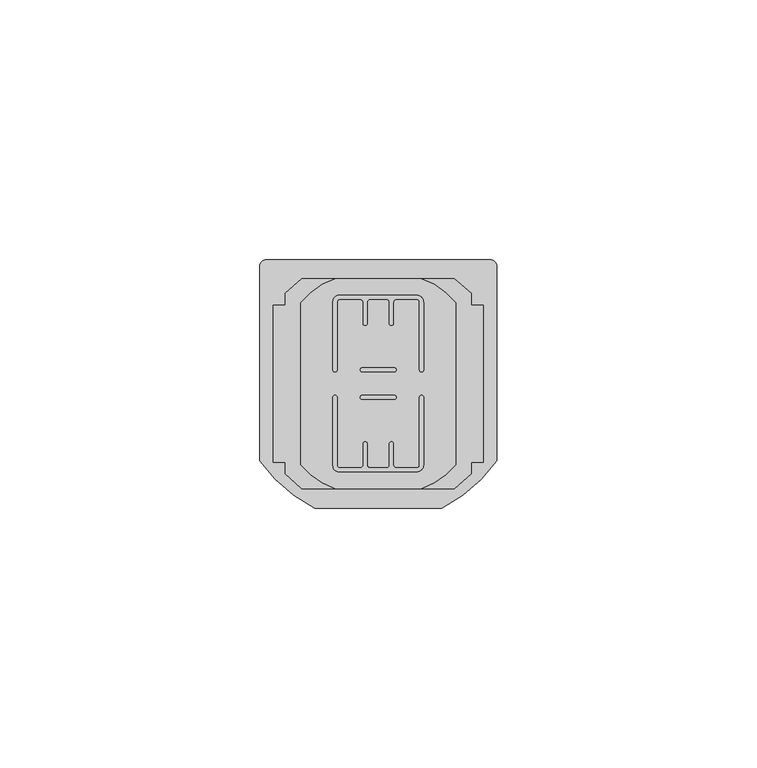
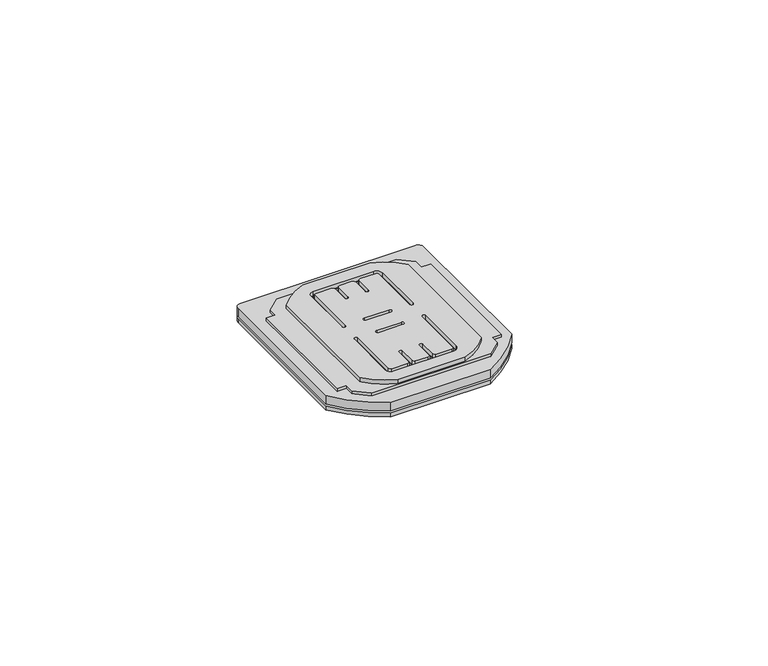
"""IFC4 building model written with IfcOpenShell, lengths in millimetres: proxy geometry."""

from ifc_helpers import new_model, si_unit, point, frame, frame_2d, origin, origin_with_axes, place, context, project, spatial, polyline, circle_curve, trimmed, segment, composite_curve, outline, extrude, source, transform, mapped, element, save


def electrical_fixtures_88a3bfcf(model_context):
    return source(origin(), model_context, "Body", "SweptSolid", [
        extrude(outline(composite_curve([segment(polyline([(0.9789013, 46.32347), (43.9976663, 46.32347)]), True, "CONTINUOUS"), segment(trimmed(circle_curve(frame_2d((43.9976663, 45.0249319)), 1.2985381), [point((43.9976663, 46.32347))], [point((45.2962044, 45.0249319))], False, "CARTESIAN"), True, "CONTINUOUS"), segment(polyline([(45.2962044, 45.0249319), (45.2962044, 7.6543811)]), True, "CONTINUOUS"), segment(trimmed(circle_curve(frame_2d((21.1903516, 24.8431667)), 29.6065278), [point((45.2962044, 7.6543811))], [point((34.7580096, -1.4715658))], False, "CARTESIAN"), True, "CONTINUOUS"), segment(polyline([(34.7580096, -1.4715658), (10.2419904, -1.4715658)]), True, "CONTINUOUS"), segment(trimmed(circle_curve(frame_2d((23.8096484, 24.8431667)), 29.6065278), [point((10.2419904, -1.4715658))], [point((-0.2962044, 7.6543811))], False, "CARTESIAN"), True, "CONTINUOUS"), segment(polyline([(-0.2962044, 7.6543811), (-0.2962044, 45.0483644)]), True, "CONTINUOUS"), segment(trimmed(circle_curve(frame_2d((0.9789013, 45.0483644)), 1.2751056), [point((-0.2962044, 45.0483644))], [point((0.9789013, 46.32347))], False, "CARTESIAN"), True, "CONTINUOUS")], self_intersect=False), holes=[composite_curve([segment(trimmed(circle_curve(frame_2d((19.4484779, 25.15)), 0.4), [point((19.4484779, 25.55))], [point((19.4484779, 24.75))], True, "CARTESIAN"), True, "CONTINUOUS"), segment(polyline([(19.4484779, 24.75), (25.5515221, 24.75)]), True, "CONTINUOUS"), segment(trimmed(circle_curve(frame_2d((25.5515221, 25.15)), 0.4), [point((25.5515221, 24.75))], [point((25.5515221, 25.55))], True, "CARTESIAN"), True, "CONTINUOUS"), segment(polyline([(25.5515221, 25.55), (19.4484779, 25.55)]), True, "CONTINUOUS")], self_intersect=False), composite_curve([segment(trimmed(circle_curve(frame_2d((14.9616115, 6.6866115)), 1.1866115), [point((13.775, 6.6866115))], [point((14.9616115, 5.5))], True, "CARTESIAN"), True, "CONTINUOUS"), segment(polyline([(14.9616115, 5.5), (29.851578, 5.5)]), True, "CONTINUOUS"), segment(trimmed(circle_curve(frame_2d((29.851578, 6.873422)), 1.373422), [point((29.851578, 5.5))], [point((31.225, 6.873422))], True, "CARTESIAN"), True, "CONTINUOUS"), segment(polyline([(31.225, 6.873422), (31.225, 19.8515221)]), True, "CONTINUOUS"), segment(trimmed(circle_curve(frame_2d((30.825, 19.8515221)), 0.4), [point((31.225, 19.8515221))], [point((30.425, 19.8515221))], True, "CARTESIAN"), True, "CONTINUOUS"), segment(polyline([(30.425, 19.8515221), (30.425, 6.8108844)]), True, "CONTINUOUS"), segment(trimmed(circle_curve(frame_2d((29.9141156, 6.8108844)), 0.5108844), [point((30.425, 6.8108844))], [point((29.9141156, 6.3))], False, "CARTESIAN"), True, "CONTINUOUS"), segment(polyline([(29.9141156, 6.3), (25.9478572, 6.3)]), True, "CONTINUOUS"), segment(trimmed(circle_curve(frame_2d((25.9478572, 6.8228572)), 0.5228572), [point((25.9478572, 6.3))], [point((25.425, 6.8228572))], False, "CARTESIAN"), True, "CONTINUOUS"), segment(polyline([(25.425, 6.8228572), (25.425, 10.9015221)]), True, "CONTINUOUS"), segment(trimmed(circle_curve(frame_2d((25.025, 10.9015221)), 0.4), [point((25.425, 10.9015221))], [point((24.625, 10.9015221))], True, "CARTESIAN"), True, "CONTINUOUS"), segment(polyline([(24.625, 10.9015221), (24.625, 6.821406)]), True, "CONTINUOUS"), segment(trimmed(circle_curve(frame_2d((24.103594, 6.821406)), 0.521406), [point((24.625, 6.821406))], [point((24.103594, 6.3))], False, "CARTESIAN"), True, "CONTINUOUS"), segment(polyline([(24.103594, 6.3), (20.9005079, 6.3)]), True, "CONTINUOUS"), segment(trimmed(circle_curve(frame_2d((20.9005079, 6.8255079)), 0.5255079), [point((20.9005079, 6.3))], [point((20.375, 6.8255079))], False, "CARTESIAN"), True, "CONTINUOUS"), segment(polyline([(20.375, 6.8255079), (20.375, 10.9015221)]), True, "CONTINUOUS"), segment(trimmed(circle_curve(frame_2d((19.975, 10.9015221)), 0.4), [point((20.375, 10.9015221))], [point((19.575, 10.9015221))], True, "CARTESIAN"), True, "CONTINUOUS"), segment(polyline([(19.575, 10.9015221), (19.575, 6.8233164)]), True, "CONTINUOUS"), segment(trimmed(circle_curve(frame_2d((19.0516836, 6.8233164)), 0.5233164), [point((19.575, 6.8233164))], [point((19.0516836, 6.3))], False, "CARTESIAN"), True, "CONTINUOUS"), segment(polyline([(19.0516836, 6.3), (15.075, 6.3)]), True, "CONTINUOUS"), segment(trimmed(circle_curve(frame_2d((15.075, 6.8)), 0.5), [point((15.075, 6.3))], [point((14.575, 6.8))], False, "CARTESIAN"), True, "CONTINUOUS"), segment(polyline([(14.575, 6.8), (14.575, 19.8515221)]), True, "CONTINUOUS"), segment(trimmed(circle_curve(frame_2d((14.175, 19.8515221)), 0.4), [point((14.575, 19.8515221))], [point((13.775, 19.8515221))], True, "CARTESIAN"), True, "CONTINUOUS"), segment(polyline([(13.775, 19.8515221), (13.775, 6.6866115)]), True, "CONTINUOUS")], self_intersect=False), composite_curve([segment(trimmed(circle_curve(frame_2d((19.4484779, 19.85)), 0.4), [point((19.4484779, 20.25))], [point((19.4484779, 19.45))], True, "CARTESIAN"), True, "CONTINUOUS"), segment(polyline([(19.4484779, 19.45), (25.5515221, 19.45)]), True, "CONTINUOUS"), segment(trimmed(circle_curve(frame_2d((25.5515221, 19.85)), 0.4), [point((25.5515221, 19.45))], [point((25.5515221, 20.25))], True, "CARTESIAN"), True, "CONTINUOUS"), segment(polyline([(25.5515221, 20.25), (19.4484779, 20.25)]), True, "CONTINUOUS")], self_intersect=False), composite_curve([segment(polyline([(13.775, 38.3133885), (13.775, 25.1484779)]), True, "CONTINUOUS"), segment(trimmed(circle_curve(frame_2d((14.175, 25.1484779)), 0.4), [point((13.775, 25.1484779))], [point((14.575, 25.1484779))], True, "CARTESIAN"), True, "CONTINUOUS"), segment(polyline([(14.575, 25.1484779), (14.575, 38.2)]), True, "CONTINUOUS"), segment(trimmed(circle_curve(frame_2d((15.075, 38.2)), 0.5), [point((14.575, 38.2))], [point((15.075, 38.7))], False, "CARTESIAN"), True, "CONTINUOUS"), segment(polyline([(15.075, 38.7), (19.0516836, 38.7)]), True, "CONTINUOUS"), segment(trimmed(circle_curve(frame_2d((19.0516836, 38.1766836)), 0.5233164), [point((19.0516836, 38.7))], [point((19.575, 38.1766836))], False, "CARTESIAN"), True, "CONTINUOUS"), segment(polyline([(19.575, 38.1766836), (19.575, 34.0984779)]), True, "CONTINUOUS"), segment(trimmed(circle_curve(frame_2d((19.975, 34.0984779)), 0.4), [point((19.575, 34.0984779))], [point((20.375, 34.0984779))], True, "CARTESIAN"), True, "CONTINUOUS"), segment(polyline([(20.375, 34.0984779), (20.375, 38.1744921)]), True, "CONTINUOUS"), segment(trimmed(circle_curve(frame_2d((20.9005079, 38.1744921)), 0.5255079), [point((20.375, 38.1744921))], [point((20.9005079, 38.7))], False, "CARTESIAN"), True, "CONTINUOUS"), segment(polyline([(20.9005079, 38.7), (24.103594, 38.7)]), True, "CONTINUOUS"), segment(trimmed(circle_curve(frame_2d((24.103594, 38.178594)), 0.521406), [point((24.103594, 38.7))], [point((24.625, 38.178594))], False, "CARTESIAN"), True, "CONTINUOUS"), segment(polyline([(24.625, 38.178594), (24.625, 34.0984779)]), True, "CONTINUOUS"), segment(trimmed(circle_curve(frame_2d((25.025, 34.0984779)), 0.4), [point((24.625, 34.0984779))], [point((25.425, 34.0984779))], True, "CARTESIAN"), True, "CONTINUOUS"), segment(polyline([(25.425, 34.0984779), (25.425, 38.1771428)]), True, "CONTINUOUS"), segment(trimmed(circle_curve(frame_2d((25.9478572, 38.1771428)), 0.5228572), [point((25.425, 38.1771428))], [point((25.9478572, 38.7))], False, "CARTESIAN"), True, "CONTINUOUS"), segment(polyline([(25.9478572, 38.7), (29.9141156, 38.7)]), True, "CONTINUOUS"), segment(trimmed(circle_curve(frame_2d((29.9141156, 38.1891156)), 0.5108844), [point((29.9141156, 38.7))], [point((30.425, 38.1891156))], False, "CARTESIAN"), True, "CONTINUOUS"), segment(polyline([(30.425, 38.1891156), (30.425, 25.1484779)]), True, "CONTINUOUS"), segment(trimmed(circle_curve(frame_2d((30.825, 25.1484779)), 0.4), [point((30.425, 25.1484779))], [point((31.225, 25.1484779))], True, "CARTESIAN"), True, "CONTINUOUS"), segment(polyline([(31.225, 25.1484779), (31.225, 38.126578)]), True, "CONTINUOUS"), segment(trimmed(circle_curve(frame_2d((29.851578, 38.126578)), 1.373422), [point((31.225, 38.126578))], [point((29.851578, 39.5))], True, "CARTESIAN"), True, "CONTINUOUS"), segment(polyline([(29.851578, 39.5), (14.9616115, 39.5)]), True, "CONTINUOUS"), segment(trimmed(circle_curve(frame_2d((14.9616115, 38.3133885)), 1.1866115), [point((14.9616115, 39.5))], [point((13.775, 38.3133885))], True, "CARTESIAN"), True, "CONTINUOUS")], self_intersect=False)]), frame((0.0, 0.0, 1.4999955), z_axis=(0.0, 0.0, 1.0), x_axis=(1.0, 0.0, 0.0)), (0.0, 0.0, 1.0), 2.2117035),
        extrude(outline(polyline([(7.817513, 42.6965395), (37.1590546, 42.6965395), (40.3765675, 39.8746223), (40.3765675, 37.6), (42.6878119, 37.6), (42.6878119, 7.4), (40.3765675, 7.4), (40.3765675, 5.1253777), (37.1590546, 2.3034605), (7.817513, 2.3034605), (4.6, 5.1253777), (4.6, 7.4), (2.3121881, 7.4), (2.3121881, 37.6), (4.6, 37.6), (4.6, 39.8746223), (7.817513, 42.6965395)]), holes=[composite_curve([segment(trimmed(circle_curve(frame_2d((19.4484779, 25.15)), 0.4), [point((19.4484779, 25.55))], [point((19.4484779, 24.75))], True, "CARTESIAN"), True, "CONTINUOUS"), segment(polyline([(19.4484779, 24.75), (25.5515221, 24.75)]), True, "CONTINUOUS"), segment(trimmed(circle_curve(frame_2d((25.5515221, 25.15)), 0.4), [point((25.5515221, 24.75))], [point((25.5515221, 25.55))], True, "CARTESIAN"), True, "CONTINUOUS"), segment(polyline([(25.5515221, 25.55), (19.4484779, 25.55)]), True, "CONTINUOUS")], self_intersect=False), composite_curve([segment(trimmed(circle_curve(frame_2d((14.9616115, 6.6866115)), 1.1866115), [point((13.775, 6.6866115))], [point((14.9616115, 5.5))], True, "CARTESIAN"), True, "CONTINUOUS"), segment(polyline([(14.9616115, 5.5), (29.851578, 5.5)]), True, "CONTINUOUS"), segment(trimmed(circle_curve(frame_2d((29.851578, 6.873422)), 1.373422), [point((29.851578, 5.5))], [point((31.225, 6.873422))], True, "CARTESIAN"), True, "CONTINUOUS"), segment(polyline([(31.225, 6.873422), (31.225, 19.8515221)]), True, "CONTINUOUS"), segment(trimmed(circle_curve(frame_2d((30.825, 19.8515221)), 0.4), [point((31.225, 19.8515221))], [point((30.425, 19.8515221))], True, "CARTESIAN"), True, "CONTINUOUS"), segment(polyline([(30.425, 19.8515221), (30.425, 6.8108844)]), True, "CONTINUOUS"), segment(trimmed(circle_curve(frame_2d((29.9141156, 6.8108844)), 0.5108844), [point((30.425, 6.8108844))], [point((29.9141156, 6.3))], False, "CARTESIAN"), True, "CONTINUOUS"), segment(polyline([(29.9141156, 6.3), (25.9478572, 6.3)]), True, "CONTINUOUS"), segment(trimmed(circle_curve(frame_2d((25.9478572, 6.8228572)), 0.5228572), [point((25.9478572, 6.3))], [point((25.425, 6.8228572))], False, "CARTESIAN"), True, "CONTINUOUS"), segment(polyline([(25.425, 6.8228572), (25.425, 10.9015221)]), True, "CONTINUOUS"), segment(trimmed(circle_curve(frame_2d((25.025, 10.9015221)), 0.4), [point((25.425, 10.9015221))], [point((24.625, 10.9015221))], True, "CARTESIAN"), True, "CONTINUOUS"), segment(polyline([(24.625, 10.9015221), (24.625, 6.821406)]), True, "CONTINUOUS"), segment(trimmed(circle_curve(frame_2d((24.103594, 6.821406)), 0.521406), [point((24.625, 6.821406))], [point((24.103594, 6.3))], False, "CARTESIAN"), True, "CONTINUOUS"), segment(polyline([(24.103594, 6.3), (20.9005079, 6.3)]), True, "CONTINUOUS"), segment(trimmed(circle_curve(frame_2d((20.9005079, 6.8255079)), 0.5255079), [point((20.9005079, 6.3))], [point((20.375, 6.8255079))], False, "CARTESIAN"), True, "CONTINUOUS"), segment(polyline([(20.375, 6.8255079), (20.375, 10.9015221)]), True, "CONTINUOUS"), segment(trimmed(circle_curve(frame_2d((19.975, 10.9015221)), 0.4), [point((20.375, 10.9015221))], [point((19.575, 10.9015221))], True, "CARTESIAN"), True, "CONTINUOUS"), segment(polyline([(19.575, 10.9015221), (19.575, 6.8233164)]), True, "CONTINUOUS"), segment(trimmed(circle_curve(frame_2d((19.0516836, 6.8233164)), 0.5233164), [point((19.575, 6.8233164))], [point((19.0516836, 6.3))], False, "CARTESIAN"), True, "CONTINUOUS"), segment(polyline([(19.0516836, 6.3), (15.075, 6.3)]), True, "CONTINUOUS"), segment(trimmed(circle_curve(frame_2d((15.075, 6.8)), 0.5), [point((15.075, 6.3))], [point((14.575, 6.8))], False, "CARTESIAN"), True, "CONTINUOUS"), segment(polyline([(14.575, 6.8), (14.575, 19.8515221)]), True, "CONTINUOUS"), segment(trimmed(circle_curve(frame_2d((14.175, 19.8515221)), 0.4), [point((14.575, 19.8515221))], [point((13.775, 19.8515221))], True, "CARTESIAN"), True, "CONTINUOUS"), segment(polyline([(13.775, 19.8515221), (13.775, 6.6866115)]), True, "CONTINUOUS")], self_intersect=False), composite_curve([segment(trimmed(circle_curve(frame_2d((19.4484779, 19.85)), 0.4), [point((19.4484779, 20.25))], [point((19.4484779, 19.45))], True, "CARTESIAN"), True, "CONTINUOUS"), segment(polyline([(19.4484779, 19.45), (25.5515221, 19.45)]), True, "CONTINUOUS"), segment(trimmed(circle_curve(frame_2d((25.5515221, 19.85)), 0.4), [point((25.5515221, 19.45))], [point((25.5515221, 20.25))], True, "CARTESIAN"), True, "CONTINUOUS"), segment(polyline([(25.5515221, 20.25), (19.4484779, 20.25)]), True, "CONTINUOUS")], self_intersect=False), composite_curve([segment(polyline([(13.775, 38.3133885), (13.775, 25.1484779)]), True, "CONTINUOUS"), segment(trimmed(circle_curve(frame_2d((14.175, 25.1484779)), 0.4), [point((13.775, 25.1484779))], [point((14.575, 25.1484779))], True, "CARTESIAN"), True, "CONTINUOUS"), segment(polyline([(14.575, 25.1484779), (14.575, 38.2)]), True, "CONTINUOUS"), segment(trimmed(circle_curve(frame_2d((15.075, 38.2)), 0.5), [point((14.575, 38.2))], [point((15.075, 38.7))], False, "CARTESIAN"), True, "CONTINUOUS"), segment(polyline([(15.075, 38.7), (19.0516836, 38.7)]), True, "CONTINUOUS"), segment(trimmed(circle_curve(frame_2d((19.0516836, 38.1766836)), 0.5233164), [point((19.0516836, 38.7))], [point((19.575, 38.1766836))], False, "CARTESIAN"), True, "CONTINUOUS"), segment(polyline([(19.575, 38.1766836), (19.575, 34.0984779)]), True, "CONTINUOUS"), segment(trimmed(circle_curve(frame_2d((19.975, 34.0984779)), 0.4), [point((19.575, 34.0984779))], [point((20.375, 34.0984779))], True, "CARTESIAN"), True, "CONTINUOUS"), segment(polyline([(20.375, 34.0984779), (20.375, 38.1744921)]), True, "CONTINUOUS"), segment(trimmed(circle_curve(frame_2d((20.9005079, 38.1744921)), 0.5255079), [point((20.375, 38.1744921))], [point((20.9005079, 38.7))], False, "CARTESIAN"), True, "CONTINUOUS"), segment(polyline([(20.9005079, 38.7), (24.103594, 38.7)]), True, "CONTINUOUS"), segment(trimmed(circle_curve(frame_2d((24.103594, 38.178594)), 0.521406), [point((24.103594, 38.7))], [point((24.625, 38.178594))], False, "CARTESIAN"), True, "CONTINUOUS"), segment(polyline([(24.625, 38.178594), (24.625, 34.0984779)]), True, "CONTINUOUS"), segment(trimmed(circle_curve(frame_2d((25.025, 34.0984779)), 0.4), [point((24.625, 34.0984779))], [point((25.425, 34.0984779))], True, "CARTESIAN"), True, "CONTINUOUS"), segment(polyline([(25.425, 34.0984779), (25.425, 38.1771428)]), True, "CONTINUOUS"), segment(trimmed(circle_curve(frame_2d((25.9478572, 38.1771428)), 0.5228572), [point((25.425, 38.1771428))], [point((25.9478572, 38.7))], False, "CARTESIAN"), True, "CONTINUOUS"), segment(polyline([(25.9478572, 38.7), (29.9141156, 38.7)]), True, "CONTINUOUS"), segment(trimmed(circle_curve(frame_2d((29.9141156, 38.1891156)), 0.5108844), [point((29.9141156, 38.7))], [point((30.425, 38.1891156))], False, "CARTESIAN"), True, "CONTINUOUS"), segment(polyline([(30.425, 38.1891156), (30.425, 25.1484779)]), True, "CONTINUOUS"), segment(trimmed(circle_curve(frame_2d((30.825, 25.1484779)), 0.4), [point((30.425, 25.1484779))], [point((31.225, 25.1484779))], True, "CARTESIAN"), True, "CONTINUOUS"), segment(polyline([(31.225, 25.1484779), (31.225, 38.126578)]), True, "CONTINUOUS"), segment(trimmed(circle_curve(frame_2d((29.851578, 38.126578)), 1.373422), [point((31.225, 38.126578))], [point((29.851578, 39.5))], True, "CARTESIAN"), True, "CONTINUOUS"), segment(polyline([(29.851578, 39.5), (14.9616115, 39.5)]), True, "CONTINUOUS"), segment(trimmed(circle_curve(frame_2d((14.9616115, 38.3133885)), 1.1866115), [point((14.9616115, 39.5))], [point((13.775, 38.3133885))], True, "CARTESIAN"), True, "CONTINUOUS")], self_intersect=False)]), frame((0.0, 0.0, 3.711699), z_axis=(0.0, 0.0, 1.0), x_axis=(1.0, 0.0, 0.0)), (0.0, 0.0, 1.0), 0.9974815),
        extrude(outline(composite_curve([segment(trimmed(circle_curve(frame_2d((18.8101734, 28.9286585)), 14.5070098), [point((7.5534605, 38.079601))], [point((14.2386544, 42.6965395))], False, "CARTESIAN"), True, "CONTINUOUS"), segment(polyline([(14.2386544, 42.6965395), (30.7613456, 42.6965395)]), True, "CONTINUOUS"), segment(trimmed(circle_curve(frame_2d((26.1898266, 28.9286585)), 14.5070098), [point((30.7613456, 42.6965395))], [point((37.4465395, 38.079601))], False, "CARTESIAN"), True, "CONTINUOUS"), segment(polyline([(37.4465395, 38.079601), (37.4465395, 6.920399)]), True, "CONTINUOUS"), segment(trimmed(circle_curve(frame_2d((26.1898266, 16.0713415)), 14.5070098), [point((37.4465395, 6.920399))], [point((30.7613456, 2.3034605))], False, "CARTESIAN"), True, "CONTINUOUS"), segment(polyline([(30.7613456, 2.3034605), (14.2386544, 2.3034605)]), True, "CONTINUOUS"), segment(trimmed(circle_curve(frame_2d((18.8101734, 16.0713415)), 14.5070098), [point((14.2386544, 2.3034605))], [point((7.5534605, 6.920399))], False, "CARTESIAN"), True, "CONTINUOUS"), segment(polyline([(7.5534605, 6.920399), (7.5534605, 38.079601)]), True, "CONTINUOUS")], self_intersect=False), holes=[composite_curve([segment(trimmed(circle_curve(frame_2d((19.4484779, 25.15)), 0.4), [point((19.4484779, 25.55))], [point((19.4484779, 24.75))], True, "CARTESIAN"), True, "CONTINUOUS"), segment(polyline([(19.4484779, 24.75), (25.5515221, 24.75)]), True, "CONTINUOUS"), segment(trimmed(circle_curve(frame_2d((25.5515221, 25.15)), 0.4), [point((25.5515221, 24.75))], [point((25.5515221, 25.55))], True, "CARTESIAN"), True, "CONTINUOUS"), segment(polyline([(25.5515221, 25.55), (19.4484779, 25.55)]), True, "CONTINUOUS")], self_intersect=False), composite_curve([segment(trimmed(circle_curve(frame_2d((14.9616115, 6.6866115)), 1.1866115), [point((13.775, 6.6866115))], [point((14.9616115, 5.5))], True, "CARTESIAN"), True, "CONTINUOUS"), segment(polyline([(14.9616115, 5.5), (29.851578, 5.5)]), True, "CONTINUOUS"), segment(trimmed(circle_curve(frame_2d((29.851578, 6.873422)), 1.373422), [point((29.851578, 5.5))], [point((31.225, 6.873422))], True, "CARTESIAN"), True, "CONTINUOUS"), segment(polyline([(31.225, 6.873422), (31.225, 19.8515221)]), True, "CONTINUOUS"), segment(trimmed(circle_curve(frame_2d((30.825, 19.8515221)), 0.4), [point((31.225, 19.8515221))], [point((30.425, 19.8515221))], True, "CARTESIAN"), True, "CONTINUOUS"), segment(polyline([(30.425, 19.8515221), (30.425, 6.8108844)]), True, "CONTINUOUS"), segment(trimmed(circle_curve(frame_2d((29.9141156, 6.8108844)), 0.5108844), [point((30.425, 6.8108844))], [point((29.9141156, 6.3))], False, "CARTESIAN"), True, "CONTINUOUS"), segment(polyline([(29.9141156, 6.3), (25.9478572, 6.3)]), True, "CONTINUOUS"), segment(trimmed(circle_curve(frame_2d((25.9478572, 6.8228572)), 0.5228572), [point((25.9478572, 6.3))], [point((25.425, 6.8228572))], False, "CARTESIAN"), True, "CONTINUOUS"), segment(polyline([(25.425, 6.8228572), (25.425, 10.9015221)]), True, "CONTINUOUS"), segment(trimmed(circle_curve(frame_2d((25.025, 10.9015221)), 0.4), [point((25.425, 10.9015221))], [point((24.625, 10.9015221))], True, "CARTESIAN"), True, "CONTINUOUS"), segment(polyline([(24.625, 10.9015221), (24.625, 6.821406)]), True, "CONTINUOUS"), segment(trimmed(circle_curve(frame_2d((24.103594, 6.821406)), 0.521406), [point((24.625, 6.821406))], [point((24.103594, 6.3))], False, "CARTESIAN"), True, "CONTINUOUS"), segment(polyline([(24.103594, 6.3), (20.9005079, 6.3)]), True, "CONTINUOUS"), segment(trimmed(circle_curve(frame_2d((20.9005079, 6.8255079)), 0.5255079), [point((20.9005079, 6.3))], [point((20.375, 6.8255079))], False, "CARTESIAN"), True, "CONTINUOUS"), segment(polyline([(20.375, 6.8255079), (20.375, 10.9015221)]), True, "CONTINUOUS"), segment(trimmed(circle_curve(frame_2d((19.975, 10.9015221)), 0.4), [point((20.375, 10.9015221))], [point((19.575, 10.9015221))], True, "CARTESIAN"), True, "CONTINUOUS"), segment(polyline([(19.575, 10.9015221), (19.575, 6.8233164)]), True, "CONTINUOUS"), segment(trimmed(circle_curve(frame_2d((19.0516836, 6.8233164)), 0.5233164), [point((19.575, 6.8233164))], [point((19.0516836, 6.3))], False, "CARTESIAN"), True, "CONTINUOUS"), segment(polyline([(19.0516836, 6.3), (15.075, 6.3)]), True, "CONTINUOUS"), segment(trimmed(circle_curve(frame_2d((15.075, 6.8)), 0.5), [point((15.075, 6.3))], [point((14.575, 6.8))], False, "CARTESIAN"), True, "CONTINUOUS"), segment(polyline([(14.575, 6.8), (14.575, 19.8515221)]), True, "CONTINUOUS"), segment(trimmed(circle_curve(frame_2d((14.175, 19.8515221)), 0.4), [point((14.575, 19.8515221))], [point((13.775, 19.8515221))], True, "CARTESIAN"), True, "CONTINUOUS"), segment(polyline([(13.775, 19.8515221), (13.775, 6.6866115)]), True, "CONTINUOUS")], self_intersect=False), composite_curve([segment(trimmed(circle_curve(frame_2d((19.4484779, 19.85)), 0.4), [point((19.4484779, 20.25))], [point((19.4484779, 19.45))], True, "CARTESIAN"), True, "CONTINUOUS"), segment(polyline([(19.4484779, 19.45), (25.5515221, 19.45)]), True, "CONTINUOUS"), segment(trimmed(circle_curve(frame_2d((25.5515221, 19.85)), 0.4), [point((25.5515221, 19.45))], [point((25.5515221, 20.25))], True, "CARTESIAN"), True, "CONTINUOUS"), segment(polyline([(25.5515221, 20.25), (19.4484779, 20.25)]), True, "CONTINUOUS")], self_intersect=False), composite_curve([segment(polyline([(13.775, 38.3133885), (13.775, 25.1484779)]), True, "CONTINUOUS"), segment(trimmed(circle_curve(frame_2d((14.175, 25.1484779)), 0.4), [point((13.775, 25.1484779))], [point((14.575, 25.1484779))], True, "CARTESIAN"), True, "CONTINUOUS"), segment(polyline([(14.575, 25.1484779), (14.575, 38.2)]), True, "CONTINUOUS"), segment(trimmed(circle_curve(frame_2d((15.075, 38.2)), 0.5), [point((14.575, 38.2))], [point((15.075, 38.7))], False, "CARTESIAN"), True, "CONTINUOUS"), segment(polyline([(15.075, 38.7), (19.0516836, 38.7)]), True, "CONTINUOUS"), segment(trimmed(circle_curve(frame_2d((19.0516836, 38.1766836)), 0.5233164), [point((19.0516836, 38.7))], [point((19.575, 38.1766836))], False, "CARTESIAN"), True, "CONTINUOUS"), segment(polyline([(19.575, 38.1766836), (19.575, 34.0984779)]), True, "CONTINUOUS"), segment(trimmed(circle_curve(frame_2d((19.975, 34.0984779)), 0.4), [point((19.575, 34.0984779))], [point((20.375, 34.0984779))], True, "CARTESIAN"), True, "CONTINUOUS"), segment(polyline([(20.375, 34.0984779), (20.375, 38.1744921)]), True, "CONTINUOUS"), segment(trimmed(circle_curve(frame_2d((20.9005079, 38.1744921)), 0.5255079), [point((20.375, 38.1744921))], [point((20.9005079, 38.7))], False, "CARTESIAN"), True, "CONTINUOUS"), segment(polyline([(20.9005079, 38.7), (24.103594, 38.7)]), True, "CONTINUOUS"), segment(trimmed(circle_curve(frame_2d((24.103594, 38.178594)), 0.521406), [point((24.103594, 38.7))], [point((24.625, 38.178594))], False, "CARTESIAN"), True, "CONTINUOUS"), segment(polyline([(24.625, 38.178594), (24.625, 34.0984779)]), True, "CONTINUOUS"), segment(trimmed(circle_curve(frame_2d((25.025, 34.0984779)), 0.4), [point((24.625, 34.0984779))], [point((25.425, 34.0984779))], True, "CARTESIAN"), True, "CONTINUOUS"), segment(polyline([(25.425, 34.0984779), (25.425, 38.1771428)]), True, "CONTINUOUS"), segment(trimmed(circle_curve(frame_2d((25.9478572, 38.1771428)), 0.5228572), [point((25.425, 38.1771428))], [point((25.9478572, 38.7))], False, "CARTESIAN"), True, "CONTINUOUS"), segment(polyline([(25.9478572, 38.7), (29.9141156, 38.7)]), True, "CONTINUOUS"), segment(trimmed(circle_curve(frame_2d((29.9141156, 38.1891156)), 0.5108844), [point((29.9141156, 38.7))], [point((30.425, 38.1891156))], False, "CARTESIAN"), True, "CONTINUOUS"), segment(polyline([(30.425, 38.1891156), (30.425, 25.1484779)]), True, "CONTINUOUS"), segment(trimmed(circle_curve(frame_2d((30.825, 25.1484779)), 0.4), [point((30.425, 25.1484779))], [point((31.225, 25.1484779))], True, "CARTESIAN"), True, "CONTINUOUS"), segment(polyline([(31.225, 25.1484779), (31.225, 38.126578)]), True, "CONTINUOUS"), segment(trimmed(circle_curve(frame_2d((29.851578, 38.126578)), 1.373422), [point((31.225, 38.126578))], [point((29.851578, 39.5))], True, "CARTESIAN"), True, "CONTINUOUS"), segment(polyline([(29.851578, 39.5), (14.9616115, 39.5)]), True, "CONTINUOUS"), segment(trimmed(circle_curve(frame_2d((14.9616115, 38.3133885)), 1.1866115), [point((14.9616115, 39.5))], [point((13.775, 38.3133885))], True, "CARTESIAN"), True, "CONTINUOUS")], self_intersect=False)]), frame((0.0, 0.0, 4.7091806), z_axis=(0.0, 0.0, 1.0), x_axis=(1.0, 0.0, 0.0)), (0.0, 0.0, 1.0), 1.3291127),
        extrude(outline(composite_curve([segment(polyline([(0.9789013, 46.32347), (43.9976663, 46.32347)]), True, "CONTINUOUS"), segment(trimmed(circle_curve(frame_2d((43.9976663, 45.0249319)), 1.2985381), [point((43.9976663, 46.32347))], [point((45.2962044, 45.0249319))], False, "CARTESIAN"), True, "CONTINUOUS"), segment(polyline([(45.2962044, 45.0249319), (45.2962044, 7.6543811)]), True, "CONTINUOUS"), segment(trimmed(circle_curve(frame_2d((21.1903516, 24.8431667)), 29.6065278), [point((45.2962044, 7.6543811))], [point((34.7580096, -1.4715658))], False, "CARTESIAN"), True, "CONTINUOUS"), segment(polyline([(34.7580096, -1.4715658), (10.2419904, -1.4715658)]), True, "CONTINUOUS"), segment(trimmed(circle_curve(frame_2d((23.8096484, 24.8431667)), 29.6065278), [point((10.2419904, -1.4715658))], [point((-0.2962044, 7.6543811))], False, "CARTESIAN"), True, "CONTINUOUS"), segment(polyline([(-0.2962044, 7.6543811), (-0.2962044, 45.0483644)]), True, "CONTINUOUS"), segment(trimmed(circle_curve(frame_2d((0.9789013, 45.0483644)), 1.2751056), [point((-0.2962044, 45.0483644))], [point((0.9789013, 46.32347))], False, "CARTESIAN"), True, "CONTINUOUS")], self_intersect=False)), origin_with_axes(), (0.0, 0.0, 1.0), 1.0),
    ])


if __name__ == "__main__":
    model = new_model("IFC4")
    model_context = context("Model", 3, world=origin())
    ifc_project = project(units=[si_unit("LENGTHUNIT", "METRE", prefix="MILLI")], contexts=[model_context])
    site = spatial("IfcSite", under=ifc_project)
    building = spatial("IfcBuilding", under=site)
    placement = place(None, origin())
    electrical_fixtures_shape = electrical_fixtures_88a3bfcf(model_context)
    element("IfcBuildingElementProxy", 1, Name="Electrical Fixtures", at=placement, inside=building, context=model_context, shape_type="MappedRepresentation", body=[
        mapped(electrical_fixtures_shape, transform((0.0, 0.0, 0.0), x_axis=(1.0, 0.0, 0.0), y_axis=(0.0, 1.0, 0.0), z_axis=(0.0, 0.0, 1.0))),
    ])
    save(model, "model.ifc")
